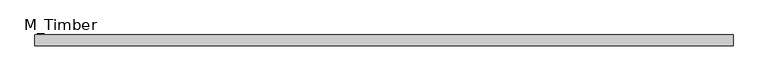
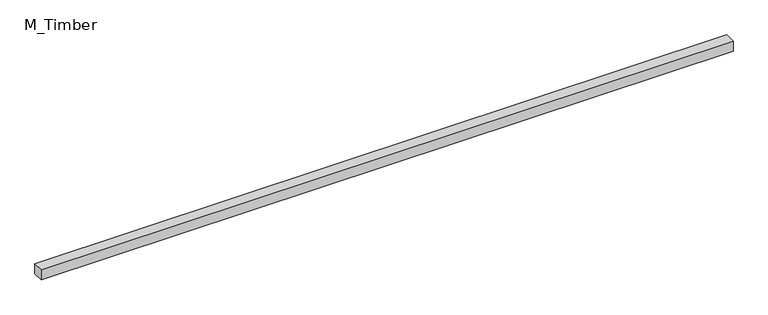
"""IFC4 building model written with IfcOpenShell, lengths in millimetres: beam geometry, M_Timber."""

from ifc_helpers import new_model, si_unit, frame, origin, place, context, project, spatial, polyline, outline, extrude, source, transform, mapped, element, save


def m_timber_f5a1c525(model_context):
    return source(origin(), model_context, "Body", "SweptSolid", [
        extrude(outline(polyline([(1281.197551, 20.0), (1281.197551, -20.0), (-1281.197551, -20.0), (-1281.197551, 20.0), (1281.197551, 20.0)])), frame((0.0, 0.0, -20.0), z_axis=(0.0, 0.0, 1.0), x_axis=(1.0, 0.0, 0.0)), (0.0, 0.0, 1.0), 40.0),
    ])


if __name__ == "__main__":
    model = new_model("IFC4")
    model_context = context("Model", 3, world=origin())
    ifc_project = project(units=[si_unit("LENGTHUNIT", "METRE", prefix="MILLI")], contexts=[model_context])
    site = spatial("IfcSite", under=ifc_project)
    building = spatial("IfcBuilding", under=site)
    placement = place(None, origin())
    m_timber_shape = m_timber_f5a1c525(model_context)
    element("IfcBeam", 1, ObjectType="M_Timber", at=placement, inside=building, context=model_context, shape_type="MappedRepresentation", body=[
        mapped(m_timber_shape, transform((0.0, 0.0, 0.0), x_axis=(1.0, 0.0, 0.0), y_axis=(0.0, 1.0, 0.0), z_axis=(0.0, 0.0, 1.0))),
    ])
    save(model, "model.ifc")
